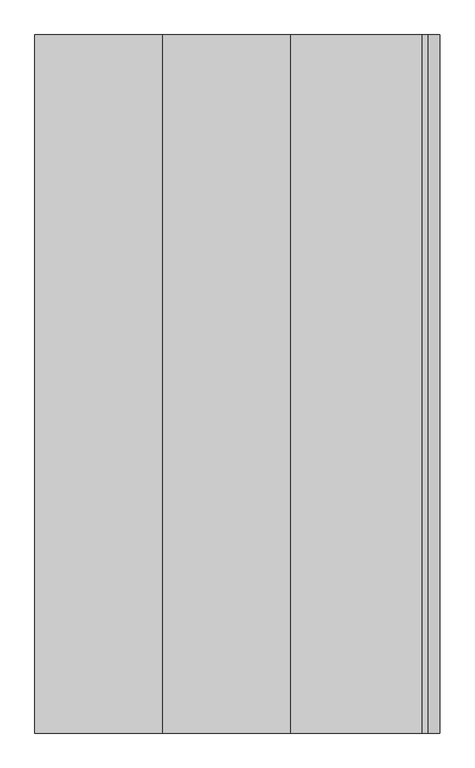
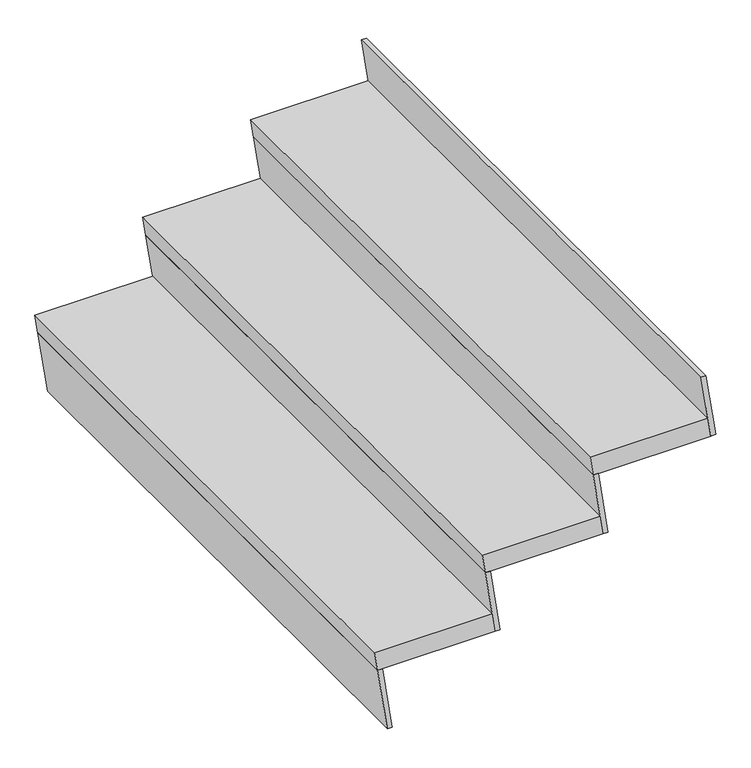
"""IFC4 building model written with IfcOpenShell, lengths in millimetres: stair flight geometry."""

import ifcopenshell
import ifcopenshell.guid

model = None  # the IFC model being written
_history = None  # IfcOwnerHistory: only IFC2X3 demands one
_inside = {}  # id of a spatial element -> (the spatial element, [elements in it])
_under = {}  # id of a project, library or spatial element -> (it, [spatial elements below it])
_declared = {}  # id of a project -> (the project, [libraries it declares])
_typed = {}  # id of a type object -> (the type object, [elements of that type])
_made_of = {}  # id of a material, layer set ... -> (it, [elements and type objects made of it])


def new_model(schema):
    """Start an empty IFC model of exactly this schema.

    Asked for "IFC4X3", IfcOpenShell would pick the latest addendum, in which some entities
    have other attributes; the version numbers below select the first issue.
    IFC2X3 requires an IfcOwnerHistory on every rooted entity: one is made here for all.
    """
    global model, _history
    if schema == "IFC4X3":
        model = ifcopenshell.file(schema_version=(4, 3, 0, 0))
    else:
        model = ifcopenshell.file(schema=schema)
    _inside.clear()
    _under.clear()
    _declared.clear()
    _typed.clear()
    _made_of.clear()
    _history = None
    if model.schema == "IFC2X3":
        org = make("IfcOrganization", Name="unknown")
        user = make(
            "IfcPersonAndOrganization",
            ThePerson=make("IfcPerson", FamilyName="unknown"),
            TheOrganization=org,
        )
        app = make(
            "IfcApplication",
            ApplicationDeveloper=org,
            Version="unknown",
            ApplicationFullName="unknown",
            ApplicationIdentifier="unknown",
        )
        _history = make(
            "IfcOwnerHistory",
            OwningUser=user,
            OwningApplication=app,
            ChangeAction="ADDED",
            CreationDate=0,
        )
    return model


def make(cls, **values):
    """One entity of the class cls with the attributes given. An attribute that is None is left unset."""
    return model.create_entity(
        cls, **{name: value for name, value in values.items() if value is not None}
    )


def rooted(cls, **values):
    """An entity with a GlobalId (a new one), such as an element, a storey or a relation."""
    return make(cls, GlobalId=ifcopenshell.guid.new(), OwnerHistory=_history, **values)


def si_unit(unit_type, name, prefix=None):
    """IfcSIUnit, for example si_unit("LENGTHUNIT", "METRE", prefix="MILLI")."""
    return make("IfcSIUnit", UnitType=unit_type, Prefix=prefix, Name=name)


def assignment(units):
    """IfcUnitAssignment: the units of a project."""
    return None if units is None else make("IfcUnitAssignment", Units=units)


def point(xyz):
    """IfcCartesianPoint."""
    return None if xyz is None else make("IfcCartesianPoint", Coordinates=xyz)


def direction(xyz):
    """IfcDirection."""
    return None if xyz is None else make("IfcDirection", DirectionRatios=xyz)


def frame(location, z_axis=None, x_axis=None):
    """IfcAxis2Placement3D, a coordinate frame: its origin and axes. An axis left out is left unset."""
    return make(
        "IfcAxis2Placement3D",
        Location=point(location),
        Axis=direction(z_axis),
        RefDirection=direction(x_axis),
    )


def origin():
    """The frame at (0, 0, 0) with its axes left unset."""
    return frame((0.0, 0.0, 0.0))


def place(relative_to, where):
    """IfcLocalPlacement: puts the frame where relative to a parent placement (None: the world)."""
    return make(
        "IfcLocalPlacement", PlacementRelTo=relative_to, RelativePlacement=where
    )


def context(
    kind, dimensions, precision=None, world=None, true_north=None, identifier=None
):
    """IfcGeometricRepresentationContext, for example the 3D "Model" context."""
    return make(
        "IfcGeometricRepresentationContext",
        ContextIdentifier=identifier,
        ContextType=kind,
        CoordinateSpaceDimension=dimensions,
        Precision=precision,
        WorldCoordinateSystem=world,
        TrueNorth=true_north,
    )


def project(units=None, contexts=None):
    """IfcProject with its units and contexts."""
    return rooted(
        "IfcProject",
        Name="project",
        RepresentationContexts=contexts,
        UnitsInContext=assignment(units),
    )


def spatial(cls, under=None, at=None, **own):
    """A site, building, storey or space (cls), placed at a placement, below another one or the project."""
    s = rooted(cls, ObjectPlacement=at, **own)
    if under is not None:
        _under.setdefault(under.id(), (under, []))[1].append(s)
    return s


def polyline(points):
    """IfcPolyline through the points."""
    return make("IfcPolyline", Points=[point(p) for p in points])


def outline(outer, holes=None, kind="AREA"):
    """IfcArbitraryClosedProfileDef: a profile drawn as a closed curve; with holes, ...WithVoids."""
    if holes is None:
        return make("IfcArbitraryClosedProfileDef", ProfileType=kind, OuterCurve=outer)
    return make(
        "IfcArbitraryProfileDefWithVoids",
        ProfileType=kind,
        OuterCurve=outer,
        InnerCurves=holes,
    )


def extrude(swept, where, along, depth):
    """IfcExtrudedAreaSolid: the profile swept, set in the frame where, extruded along a direction by depth."""
    return make(
        "IfcExtrudedAreaSolid",
        SweptArea=swept,
        Position=where,
        ExtrudedDirection=direction(along),
        Depth=depth,
    )


def shape(context_of_items, identifier, shape_type, items):
    """IfcShapeRepresentation: the items that make up one representation, for example the "Body"."""
    return make(
        "IfcShapeRepresentation",
        ContextOfItems=context_of_items,
        RepresentationIdentifier=identifier,
        RepresentationType=shape_type,
        Items=items,
    )


def source(mapping_origin, context_of_items, identifier, shape_type, items):
    """IfcRepresentationMap: a shape defined once, which mapped items show again and again."""
    return make(
        "IfcRepresentationMap",
        MappingOrigin=mapping_origin,
        MappedRepresentation=shape(context_of_items, identifier, shape_type, items),
    )


def transform(
    local_origin,
    x_axis=None,
    y_axis=None,
    z_axis=None,
    scale=None,
    scale2=None,
    scale3=None,
    uniform=True,
):
    """IfcCartesianTransformationOperator3D, or its non-uniform kind. x_axis, y_axis, z_axis: its Axis1, 2, 3."""
    if uniform:
        return make(
            "IfcCartesianTransformationOperator3D",
            Axis1=direction(x_axis),
            Axis2=direction(y_axis),
            LocalOrigin=point(local_origin),
            Scale=scale,
            Axis3=direction(z_axis),
        )
    return make(
        "IfcCartesianTransformationOperator3DnonUniform",
        Axis1=direction(x_axis),
        Axis2=direction(y_axis),
        LocalOrigin=point(local_origin),
        Scale=scale,
        Axis3=direction(z_axis),
        Scale2=scale2,
        Scale3=scale3,
    )


def mapped(mapping_source, mapping_target):
    """IfcMappedItem: shows the shape of a source again, moved by a transform."""
    return make(
        "IfcMappedItem", MappingSource=mapping_source, MappingTarget=mapping_target
    )


def made_of(thing, what):
    """Note that an element or type object is made of a material, layer set ...; save() writes the relation."""
    if what is not None:
        _made_of.setdefault(what.id(), (what, []))[1].append(thing)
    return thing


def element(
    cls,
    number,
    at=None,
    inside=None,
    cuts=None,
    type_object=None,
    material=None,
    context=None,
    identifier="Body",
    shape_type=None,
    held_by="IfcProductDefinitionShape",
    body=None,
    shapes=None,
    **own,
):
    """One element of the class cls, such as IfcWall. Its Tag is "e" and its number.

    at: its placement. inside: the storey or other place that contains it. cuts: it is an
    opening in that element (IfcRelVoidsElement). A single representation is given by context,
    identifier, shape_type and body (its items); several are given by shapes. held_by: the class
    of the entity that holds the representations. save() writes the other relations.
    """
    e = rooted(cls, Tag="e%d" % number, ObjectPlacement=at, **own)
    if body is not None:
        shapes = [shape(context, identifier, shape_type, body)]
    if shapes is not None:
        e.Representation = make(held_by, Representations=shapes)
    if inside is not None:
        _inside.setdefault(inside.id(), (inside, []))[1].append(e)
    if cuts is not None:
        rooted(
            "IfcRelVoidsElement", RelatingBuildingElement=cuts, RelatedOpeningElement=e
        )
    if type_object is not None:
        _typed.setdefault(type_object.id(), (type_object, []))[1].append(e)
    return made_of(e, material)


def aggregate(whole, parts):
    """IfcRelAggregates: a whole, such as a stair, and the parts it consists of."""
    return rooted("IfcRelAggregates", RelatingObject=whole, RelatedObjects=parts)


def save(model, path):
    """Write the relations noted so far, then the file.

    IfcRelAggregates (storeys below a building ...), IfcRelContainedInSpatialStructure (elements
    in a storey), IfcRelDefinesByType, IfcRelAssociatesMaterial and IfcRelDeclares: one each for
    every whole, place, type object, material and project.
    """
    for whole, parts in _under.values():
        aggregate(whole, parts)
    for where, things in _inside.values():
        rooted(
            "IfcRelContainedInSpatialStructure",
            RelatedElements=things,
            RelatingStructure=where,
        )
    for kind, things in _typed.values():
        rooted("IfcRelDefinesByType", RelatedObjects=things, RelatingType=kind)
    for what, things in _made_of.values():
        rooted("IfcRelAssociatesMaterial", RelatedObjects=things, RelatingMaterial=what)
    for by, libraries in _declared.values():
        rooted("IfcRelDeclares", RelatingContext=by, RelatedDefinitions=libraries)
    model.write(path)


def stair_flight_b1d19e96(model_context):
    return source(origin(), model_context, "Body", "SweptSolid", [
        extrude(outline(polyline([(3500.0, -5799.6089981), (3500.0, -6099.6089981), (3450.0, -6092.1089981), (3450.0, -5792.1089981), (3500.0, -5799.6089981)])), frame((0.0, -685.0363971, 0.0), z_axis=(0.0, 1.0, 0.0), x_axis=(0.0, 0.0, 1.0)), (0.0, 0.0, 1.0), 1500.0),
        extrude(outline(polyline([(3450.0, -6092.1089981), (3283.3333333, -6067.1089981), (3283.3333333, -6054.4691553), (3450.0, -6079.4691553), (3450.0, -6092.1089981)])), frame((0.0, -685.0363971, 0.0), z_axis=(0.0, 1.0, 0.0), x_axis=(0.0, 0.0, 1.0)), (0.0, 0.0, 1.0), 1500.0),
        extrude(outline(polyline([(3616.6666667, -5817.1089981), (3450.0, -5792.1089981), (3450.0, -5779.4691553), (3616.6666667, -5804.4691553), (3616.6666667, -5817.1089981)])), frame((0.0, -685.0363971, 0.0), z_axis=(0.0, 1.0, 0.0), x_axis=(0.0, 0.0, 1.0)), (0.0, 0.0, 1.0), 1500.0),
        extrude(outline(polyline([(3666.6666667, -5524.6089981), (3666.6666667, -5824.6089981), (3616.6666667, -5817.1089981), (3616.6666667, -5517.1089981), (3666.6666667, -5524.6089981)])), frame((0.0, -685.0363971, 0.0), z_axis=(0.0, 1.0, 0.0), x_axis=(0.0, 0.0, 1.0)), (0.0, 0.0, 1.0), 1500.0),
        extrude(outline(polyline([(3783.3333333, -5542.1089981), (3616.6666667, -5517.1089981), (3616.6666667, -5504.4691553), (3783.3333333, -5529.4691553), (3783.3333333, -5542.1089981)])), frame((0.0, -685.0363971, 0.0), z_axis=(0.0, 1.0, 0.0), x_axis=(0.0, 0.0, 1.0)), (0.0, 0.0, 1.0), 1500.0),
        extrude(outline(polyline([(3950.0, -5267.1089981), (3783.3333333, -5242.1089981), (3783.3333333, -5229.4691553), (3950.0, -5254.4691553), (3950.0, -5267.1089981)])), frame((0.0, -685.0363971, 0.0), z_axis=(0.0, 1.0, 0.0), x_axis=(0.0, 0.0, 1.0)), (0.0, 0.0, 1.0), 1500.0),
        extrude(outline(polyline([(3833.3333333, -5249.6089981), (3833.3333333, -5549.6089981), (3783.3333333, -5542.1089981), (3783.3333333, -5242.1089981), (3833.3333333, -5249.6089981)])), frame((0.0, -685.0363971, 0.0), z_axis=(0.0, 1.0, 0.0), x_axis=(0.0, 0.0, 1.0)), (0.0, 0.0, 1.0), 1500.0),
    ])


if __name__ == "__main__":
    model = new_model("IFC4")
    model_context = context("Model", 3, world=origin())
    ifc_project = project(units=[si_unit("LENGTHUNIT", "METRE", prefix="MILLI")], contexts=[model_context])
    site = spatial("IfcSite", under=ifc_project)
    building = spatial("IfcBuilding", under=site)
    placement = place(None, origin())
    stair_flight_shape = stair_flight_b1d19e96(model_context)
    element("IfcStairFlight", 1, at=placement, inside=building, context=model_context, shape_type="MappedRepresentation", body=[
        mapped(stair_flight_shape, transform((0.0, 0.0, 0.0), x_axis=(1.0, 0.0, 0.0), y_axis=(0.0, 1.0, 0.0), z_axis=(0.0, 0.0, 1.0))),
    ])
    save(model, "model.ifc")
